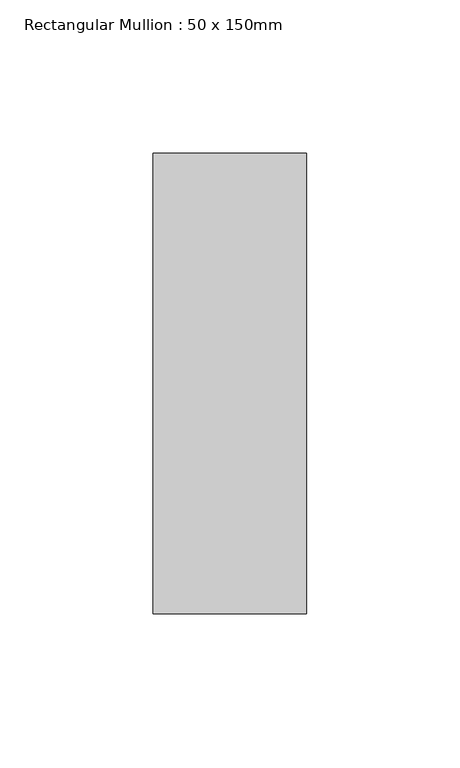
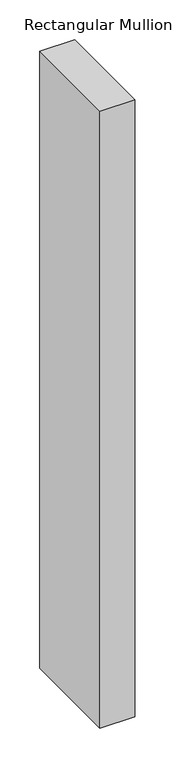
"""IFC4 building model written with IfcOpenShell, lengths in millimetres: member geometry, Rectangular Mullion : 50 x 150mm."""

from ifc_helpers import new_model, si_unit, frame, origin, place, context, project, spatial, polyline, outline, extrude, source, transform, mapped, element, save


def rectangular_mullion_50_x_150mm_a5bab1e1(model_context):
    return source(origin(), model_context, "Body", "SweptSolid", [
        extrude(outline(polyline([(25.0, 75.0), (25.0, -75.0), (-25.0, -75.0), (-25.0, 75.0), (25.0, 75.0)])), frame((0.0, 0.0, -941.6666667), z_axis=(0.0, 0.0, 1.0), x_axis=(1.0, 0.0, 0.0)), (0.0, 0.0, 1.0), 941.6666667),
    ])


if __name__ == "__main__":
    model = new_model("IFC4")
    model_context = context("Model", 3, world=origin())
    ifc_project = project(units=[si_unit("LENGTHUNIT", "METRE", prefix="MILLI")], contexts=[model_context])
    site = spatial("IfcSite", under=ifc_project)
    building = spatial("IfcBuilding", under=site)
    placement = place(None, origin())
    rectangular_mullion_50_x_150mm_shape = rectangular_mullion_50_x_150mm_a5bab1e1(model_context)
    element("IfcMember", 1, ObjectType="Rectangular Mullion : 50 x 150mm", at=placement, inside=building, context=model_context, shape_type="MappedRepresentation", body=[
        mapped(rectangular_mullion_50_x_150mm_shape, transform((0.0, 0.0, 0.0), x_axis=(1.0, 0.0, 0.0), y_axis=(0.0, 1.0, 0.0), z_axis=(0.0, 0.0, 1.0))),
    ])
    save(model, "model.ifc")
